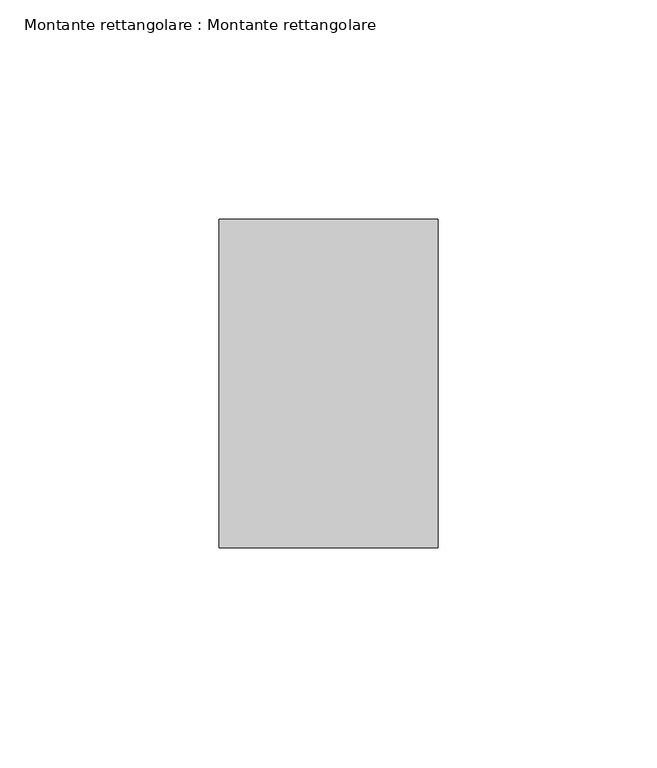
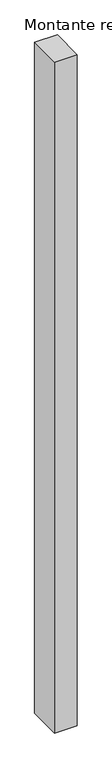
"""IFC4 building model written with IfcOpenShell, lengths in millimetres: member geometry, Montante rettangolare : Montante rettangolare."""

from ifc_helpers import new_model, si_unit, frame, origin, place, context, project, spatial, polyline, outline, extrude, source, transform, mapped, element, save


def montante_rettangolare_montante_rettangolare_8d0393e2(model_context):
    return source(origin(), model_context, "Body", "SweptSolid", [
        extrude(outline(polyline([(0.0, 37.5), (0.0, -37.5), (-50.0, -37.5), (-50.0, 37.5), (0.0, 37.5)])), frame((0.0, 0.0, -1555.0), z_axis=(0.0, 0.0, 1.0), x_axis=(1.0, 0.0, 0.0)), (0.0, 0.0, 1.0), 1555.0),
    ])


if __name__ == "__main__":
    model = new_model("IFC4")
    model_context = context("Model", 3, world=origin())
    ifc_project = project(units=[si_unit("LENGTHUNIT", "METRE", prefix="MILLI")], contexts=[model_context])
    site = spatial("IfcSite", under=ifc_project)
    building = spatial("IfcBuilding", under=site)
    placement = place(None, origin())
    montante_rettangolare_montante_rettangolare_shape = montante_rettangolare_montante_rettangolare_8d0393e2(model_context)
    element("IfcMember", 1, ObjectType="Montante rettangolare : Montante rettangolare", at=placement, inside=building, context=model_context, shape_type="MappedRepresentation", body=[
        mapped(montante_rettangolare_montante_rettangolare_shape, transform((0.0, 0.0, 0.0), x_axis=(1.0, 0.0, 0.0), y_axis=(0.0, 1.0, 0.0), z_axis=(0.0, 0.0, 1.0))),
    ])
    save(model, "model.ifc")
